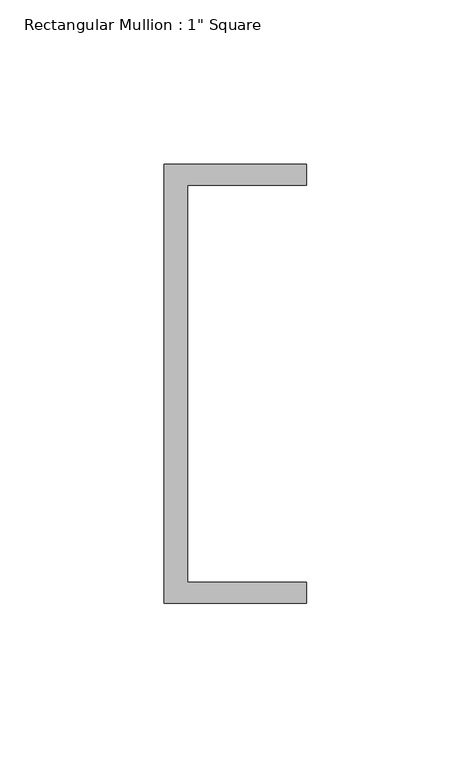
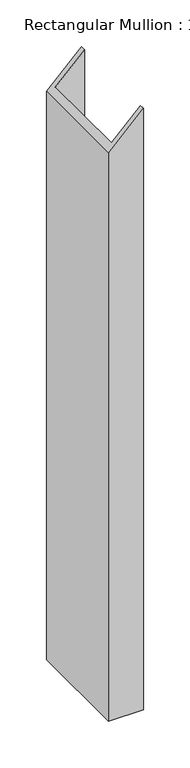
"""IFC4 building model written with IfcOpenShell, lengths in millimetres: member geometry."""

from ifc_helpers import new_model, si_unit, origin, place, context, project, spatial, faceted_brep, source, transform, mapped, element, save


def member_5981ed14(model_context):
    return source(origin(), model_context, "Body", "Brep", [
        faceted_brep([(-43.2224547, 135.2608739, -786.6875116), (0.0, 135.2608739, -786.6875116), (0.0, 128.9108739, -786.6875116), (-36.1785969, 128.9108739, -786.6875116), (-36.1785969, 8.2608739, -786.6875116), (0.0, 8.2608739, -786.6875116), (0.0, 1.9108739, -786.6875116), (-43.2224547, 1.9108739, -786.6875116), (-43.2224547, 1.9108739, -43.3335617), (-43.2224547, 135.2608739, -43.3335617), (0.0, 1.9108739, 0.0), (0.0, 8.2608739, 0.0), (-36.1785969, 8.2608739, -36.2715971), (-36.1785969, 128.9108739, -36.2715971), (0.0, 128.9108739, 0.0), (0.0, 135.2608739, 0.0)], [[[0, 1, 2, 3, 4, 5, 6, 7]], [[8, 9, 0, 7]], [[10, 8, 7, 6]], [[11, 10, 6, 5]], [[12, 11, 5, 4]], [[13, 12, 4, 3]], [[14, 13, 3, 2]], [[15, 14, 2, 1]], [[9, 15, 1, 0]], [[9, 8, 10, 11, 12, 13, 14, 15]]]),
    ])


if __name__ == "__main__":
    model = new_model("IFC4")
    model_context = context("Model", 3, world=origin())
    ifc_project = project(units=[si_unit("LENGTHUNIT", "METRE", prefix="MILLI")], contexts=[model_context])
    site = spatial("IfcSite", under=ifc_project)
    building = spatial("IfcBuilding", under=site)
    placement = place(None, origin())
    member_shape = member_5981ed14(model_context)
    element("IfcMember", 1, ObjectType="Rectangular Mullion : 1\" Square", at=placement, inside=building, context=model_context, shape_type="MappedRepresentation", body=[
        mapped(member_shape, transform((0.0, 0.0, 0.0), x_axis=(1.0, 0.0, 0.0), y_axis=(0.0, 1.0, 0.0), z_axis=(0.0, 0.0, 1.0))),
    ])
    save(model, "model.ifc")
